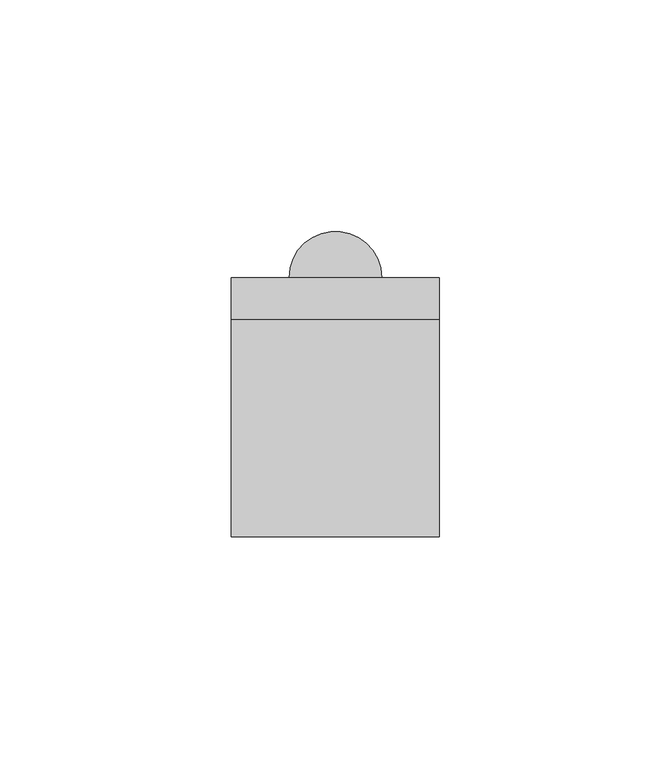
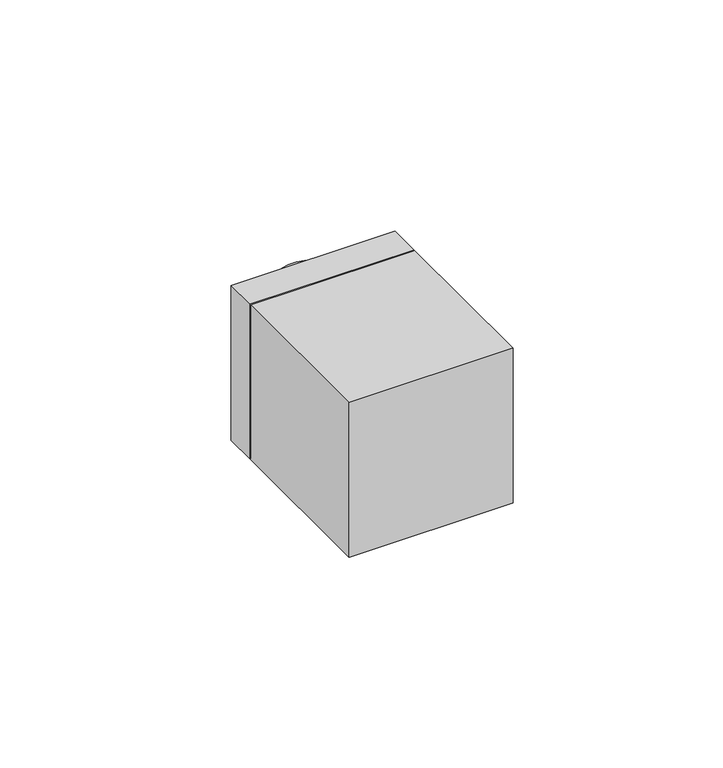
"""IFC4 building model written with IfcOpenShell, lengths in millimetres: switching device geometry."""

from ifc_helpers import new_model, si_unit, point, frame, frame_2d, origin, place, context, project, spatial, polyline, circle_curve, trimmed, segment, composite_curve, outline, extrude, source, transform, mapped, element, save
from ifc_brep_helpers import plane_surface, cylinder_surface, advanced_brep


def switching_device_a518762a(model_context):
    return source(origin(), model_context, "Body", "SolidModel", [
        advanced_brep(
        [(22.5, 9.0, 22.5), (22.5, 9.0, -22.5), (-22.5, 9.0, -22.5), (-22.5, 9.0, 22.5), (10.0, 9.0, 15.0), (-10.0, 9.0, 15.0), (-10.0, 9.0, 13.0), (10.0, 9.0, 13.0), (10.0, 9.0, -2.9970115), (-10.0, 9.0, -2.9970115), (-10.0, 9.0, -5.0), (10.0, 9.0, -5.0), (22.5, 0.0, 22.5), (-22.5, 0.0, 22.5), (-22.5, 0.0, -22.5), (22.5, 0.0, -22.5)],
        [
            (0, 1),
            (1, 2),
            (2, 3),
            (3, 0),
            (4, 5),
            (5, 6),
            (6, 7),
            (7, 4),
            (8, 9),
            (9, 10),
            (10, 11),
            (11, 8),
            (12, 13),
            (13, 14),
            (14, 15),
            (15, 12),
            (3, 13),
            (12, 0),
            (2, 14),
            (1, 15),
            (4, 5, circle_curve(frame((0.0, 9.0, 15.0), z_axis=(0.0, 0.0, 1.0), x_axis=(1.0, 0.0, 0.0)), 10.0)),
            (6, 7, circle_curve(frame((0.0, 9.0, 13.0), z_axis=(0.0, 0.0, -1.0), x_axis=(1.0, 0.0, 0.0)), 10.0)),
            (8, 9, circle_curve(frame((0.0, 9.0, -2.9970115), z_axis=(0.0, 0.0, 1.0), x_axis=(1.0, 0.0, 0.0)), 10.0)),
            (10, 11, circle_curve(frame((0.0, 9.0, -5.0), z_axis=(0.0, 0.0, -1.0), x_axis=(1.0, 0.0, 0.0)), 10.0)),
        ],
        [
            plane_surface(frame((-39.0, 9.0, 22.5), z_axis=(0.0, 1.0, 0.0), x_axis=(1.0, 0.0, 0.0))),
            plane_surface(frame((-39.0, 0.0, 22.5), z_axis=(0.0, -1.0, 0.0), x_axis=(-1.0, 0.0, 0.0))),
            plane_surface(frame((22.5, 0.0, 22.5), z_axis=(0.0, 0.0, 1.0), x_axis=(0.0, 1.0, 0.0))),
            plane_surface(frame((-22.5, 0.0, 22.5), z_axis=(-1.0, 0.0, 0.0), x_axis=(0.0, 1.0, 0.0))),
            plane_surface(frame((-22.5, 0.0, -22.5), z_axis=(0.0, 0.0, -1.0), x_axis=(0.0, 1.0, 0.0))),
            plane_surface(frame((22.5, 0.0, -22.5), z_axis=(1.0, 0.0, 0.0), x_axis=(0.0, 1.0, 0.0))),
            plane_surface(frame((10.0, 9.0, 15.0), z_axis=(0.0, 0.0, 1.0), x_axis=(0.0, 1.0, 0.0))),
            plane_surface(frame((10.0, 9.0, 13.0), z_axis=(0.0, 0.0, -1.0), x_axis=(0.0, -1.0, 0.0))),
            cylinder_surface(frame((0.0, 9.0, 13.0), z_axis=(0.0, 0.0, 1.0), x_axis=(1.0, 0.0, 0.0)), 10.0),
            plane_surface(frame((10.0, 9.0, -2.9970115), z_axis=(0.0, 0.0, 1.0), x_axis=(0.0, 1.0, 0.0))),
            plane_surface(frame((10.0, 9.0, -5.0), z_axis=(0.0, 0.0, -1.0), x_axis=(0.0, -1.0, 0.0))),
            cylinder_surface(frame((0.0, 9.0, -5.0), z_axis=(0.0, 0.0, 1.0), x_axis=(1.0, 0.0, 0.0)), 10.0),
        ],
        [
            (0, [[1, 2, 3, 4], [5, 6, 7, 8], [9, 10, 11, 12]]),
            (1, [[13, 14, 15, 16]]),
            (2, [[-4, 17, -13, 18]]),
            (3, [[-3, 19, -14, -17]]),
            (4, [[-2, 20, -15, -19]]),
            (5, [[-1, -18, -16, -20]]),
            (6, [[21, -5]]),
            (7, [[22, -7]]),
            (8, [[-21, -8, -22, -6]]),
            (9, [[23, -9]]),
            (10, [[24, -11]]),
            (11, [[-23, -12, -24, -10]]),
        ],
    ),
        extrude(outline(composite_curve([segment(polyline([(10.0, 9.0), (-10.0, 9.0)]), True, "CONTINUOUS"), segment(trimmed(circle_curve(frame_2d((0.0, 9.0)), 10.0), [point((-10.0, 9.0))], [point((10.0, 9.0))], False, "CARTESIAN"), True, "CONTINUOUS")], self_intersect=False)), frame((0.0, 0.0, -2.9970115), z_axis=(0.0, 0.0, 1.0), x_axis=(1.0, 0.0, 0.0)), (0.0, 0.0, 1.0), 15.9970115),
        extrude(outline(polyline([(22.5, -47.0), (-22.5, -47.0), (-22.5, 0.0), (22.5, 0.0), (22.5, -47.0)])), frame((0.0, 0.0, -22.5), z_axis=(0.0, 0.0, 1.0), x_axis=(1.0, 0.0, 0.0)), (0.0, 0.0, 1.0), 45.0),
    ])


if __name__ == "__main__":
    model = new_model("IFC4")
    model_context = context("Model", 3, world=origin())
    ifc_project = project(units=[si_unit("LENGTHUNIT", "METRE", prefix="MILLI")], contexts=[model_context])
    site = spatial("IfcSite", under=ifc_project)
    building = spatial("IfcBuilding", under=site)
    placement = place(None, origin())
    switching_device_shape = switching_device_a518762a(model_context)
    element("IfcSwitchingDevice", 1, at=placement, inside=building, context=model_context, shape_type="MappedRepresentation", body=[
        mapped(switching_device_shape, transform((0.0, 0.0, 0.0), x_axis=(1.0, 0.0, 0.0), y_axis=(0.0, 1.0, 0.0), z_axis=(0.0, 0.0, 1.0))),
    ])
    save(model, "model.ifc")
